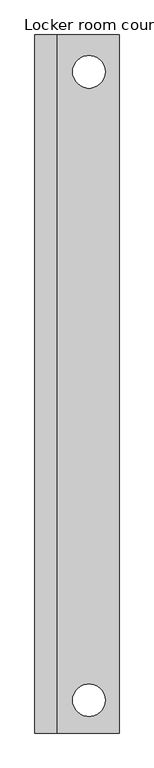
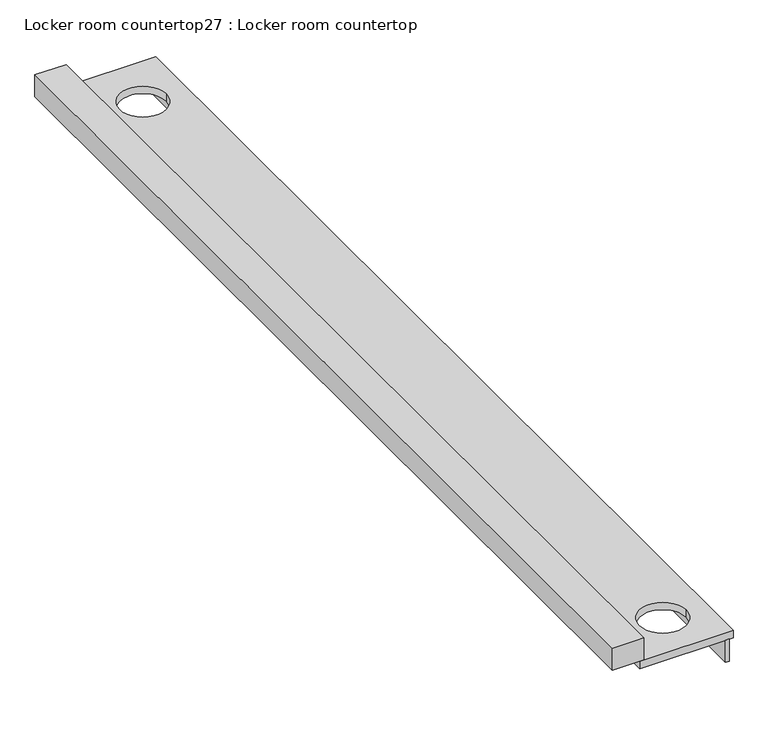
"""IFC4 building model written with IfcOpenShell, lengths in millimetres: furniture geometry, Locker room countertop27 : Locker room countertop."""

from ifc_helpers import new_model, si_unit, point, frame, frame_2d, origin, place, context, project, spatial, polyline, circle_curve, trimmed, segment, composite_curve, outline, extrude, source, transform, mapped, element, save


def locker_room_countertop27_locker_room_countertop_ce7923ea(model_context):
    return source(origin(), model_context, "Body", "SweptSolid", [
        extrude(outline(polyline([(455769.4504676, -326850.1983948), (455744.0504676, -326850.1983948), (455744.0504676, -320318.6205223), (455769.4504676, -320318.6205223), (455769.4504676, -326850.1983948)])), frame((0.0, 0.0, 660.4), z_axis=(0.0, 0.0, 1.0), x_axis=(1.0, 0.0, 0.0)), (0.0, 0.0, 1.0), 152.4),
        extrude(outline(polyline([(455210.6504676, -320318.6205223), (455210.6504676, -326850.1983948), (455007.4504676, -326850.1983948), (455007.4504676, -320318.6205223), (455210.6504676, -320318.6205223)])), frame((0.0, 0.0, 863.6), z_axis=(0.0, 0.0, 1.0), x_axis=(1.0, 0.0, 0.0)), (0.0, 0.0, 1.0), 152.4),
        extrude(outline(polyline([(455794.8504676, -320318.6205223), (455794.8504676, -326850.1983948), (455185.2504676, -326850.1983948), (455185.2504676, -320318.6205223), (455794.8504676, -320318.6205223)]), holes=[composite_curve([segment(trimmed(circle_curve(frame_2d((455512.6617195, -320664.2700389)), 152.4), [point((455360.2617195, -320664.2700389))], [point((455665.0617195, -320664.2700389))], True, "CARTESIAN"), True, "CONTINUOUS"), segment(trimmed(circle_curve(frame_2d((455512.6617195, -320664.2700389)), 152.4), [point((455665.0617195, -320664.2700389))], [point((455360.2617195, -320664.2700389))], True, "CARTESIAN"), True, "CONTINUOUS")], self_intersect=False), composite_curve([segment(trimmed(circle_curve(frame_2d((455512.6617195, -326543.2817281)), 152.4), [point((455360.2617195, -326543.2817281))], [point((455665.0617195, -326543.2817281))], True, "CARTESIAN"), True, "CONTINUOUS"), segment(trimmed(circle_curve(frame_2d((455512.6617195, -326543.2817281)), 152.4), [point((455665.0617195, -326543.2817281))], [point((455360.2617195, -326543.2817281))], True, "CARTESIAN"), True, "CONTINUOUS")], self_intersect=False)]), frame((0.0, 0.0, 812.8), z_axis=(0.0, 0.0, 1.0), x_axis=(1.0, 0.0, 0.0)), (0.0, 0.0, 1.0), 50.8),
    ])


if __name__ == "__main__":
    model = new_model("IFC4")
    model_context = context("Model", 3, world=origin())
    ifc_project = project(units=[si_unit("LENGTHUNIT", "METRE", prefix="MILLI")], contexts=[model_context])
    site = spatial("IfcSite", under=ifc_project)
    building = spatial("IfcBuilding", under=site)
    placement = place(None, origin())
    locker_room_countertop27_locker_room_countertop_shape = locker_room_countertop27_locker_room_countertop_ce7923ea(model_context)
    element("IfcFurniture", 1, ObjectType="Locker room countertop27 : Locker room countertop", at=placement, inside=building, context=model_context, shape_type="MappedRepresentation", body=[
        mapped(locker_room_countertop27_locker_room_countertop_shape, transform((0.0, 0.0, 0.0), x_axis=(1.0, 0.0, 0.0), y_axis=(0.0, 1.0, 0.0), z_axis=(0.0, 0.0, 1.0))),
    ])
    save(model, "model.ifc")
